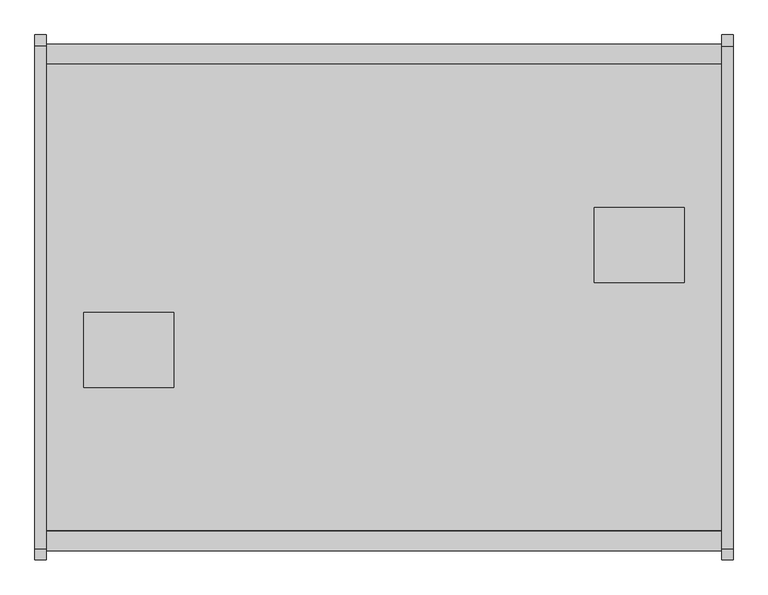
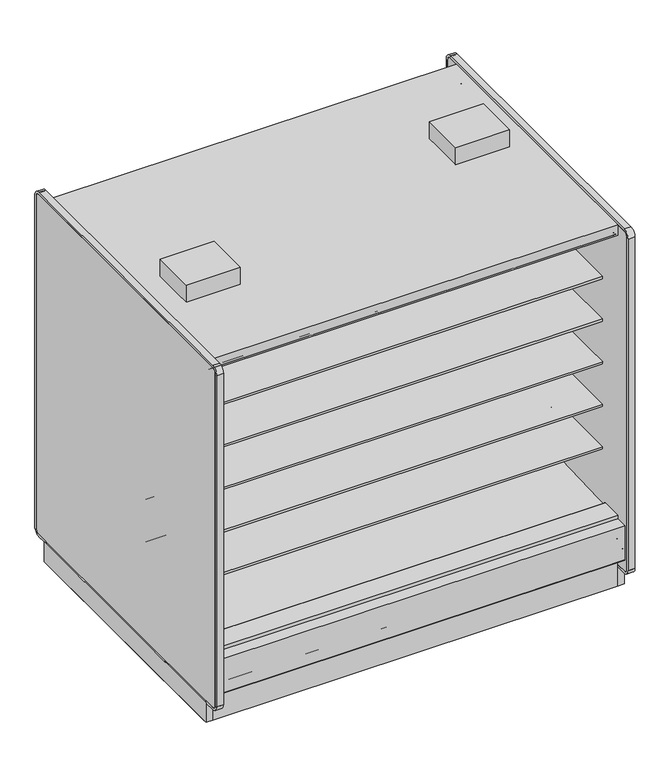
"""IFC4 building model written with IfcOpenShell, lengths in millimetres: proxy geometry."""

from ifc_helpers import new_model, si_unit, point, frame, frame_2d, origin, origin_with_axes, place, context, project, spatial, polyline, circle_curve, trimmed, segment, composite_curve, outline, extrude, faceted_brep, source, transform, mapped, element, save
from ifc_brep_helpers import plane_surface, revolved_surface, advanced_brep


def mechanical_equipment_7591c1fe(model_context):
    return source(origin(), model_context, "Body", "SolidModel", [
        extrude(outline(polyline([(0.0, -76.1999999), (0.0, 0.0), (2286.0, 0.0), (2286.0, -76.1999999), (0.0, -76.1999999)])), frame((2286.0, -1111.3633008, 2065.3671599), z_axis=(0.0, 0.08686991344751496, 0.9962196635971514), x_axis=(-1.0, 0.0, 0.0)), (0.0, 0.0, 1.0), 13.3555803),
        extrude(outline(polyline([(0.0, -76.2), (0.0, 0.0), (2286.0, 0.0), (2286.0, -76.2), (0.0, -76.2)])), frame((2286.0, 288.8472236, 2059.4611282), z_axis=(0.0, -0.086869913447515, 0.9962196635971514), x_axis=(-1.0, 0.0, 0.0)), (0.0, 0.0, 1.0), 13.3555803),
        extrude(outline(polyline([(-38.1, -1158.0606273), (-38.1, 424.3593727), (0.0, 424.3593727), (0.0, -1158.0606273), (-38.1, -1158.0606273)])), origin_with_axes(), (0.0, 0.0, 1.0), 117.8306),
        extrude(outline(composite_curve([segment(polyline([(-292.5492106, 428.2688536), (291.885082, 406.4402197), (291.885082, 424.9364317)]), True, "CONTINUOUS"), segment(trimmed(circle_curve(frame_2d((293.942482, 424.9364317)), 2.0574), [point((291.885082, 424.9364317))], [point((293.942482, 426.9938317))], False, "CARTESIAN"), True, "CONTINUOUS"), segment(polyline([(293.942482, 426.9938317), (416.0514424, 426.9938317), (416.0514424, 284.5082843), (302.7767261, 189.4595117), (287.2311894, 190.0023738), (241.8789947, 157.1934642), (177.3766842, 159.4459345), (137.2934582, 192.9404113), (-344.0537782, 221.8688632), (-344.0537782, 428.2688536), (-292.5492106, 428.2688536)]), True, "CONTINUOUS")], self_intersect=False)), frame((0.0, 0.0, 0.0), z_axis=(1.0, 0.0, 0.0), x_axis=(0.0, 1.0, 0.0)), (0.0, 0.0, 1.0), 2286.0),
        extrude(outline(polyline([(392.5474807, -0.0519335), (392.5474807, 194.123201), (411.5974807, 210.1080489), (411.5974807, -0.0519335), (392.5474807, -0.0519335)])), frame((0.0, 0.0, 0.0), z_axis=(1.0, 0.0, 0.0), x_axis=(0.0, 1.0, 0.0)), (0.0, 0.0, 1.0), 2286.0),
        extrude(outline(polyline([(-1139.0106273, 0.0), (-1158.0606273, 0.0), (-1158.0606273, 210.1599825), (-1139.0106273, 194.1751345), (-1139.0106273, 0.0)])), frame((0.0, 0.0, 0.0), z_axis=(1.0, 0.0, 0.0), x_axis=(0.0, 1.0, 0.0)), (0.0, 0.0, 1.0), 2286.0),
        extrude(outline(polyline([(431.8, -424.0006273), (431.8, -678.0006273), (127.0, -678.0006273), (127.0, -424.0006273), (431.8, -424.0006273)])), frame((0.0, 0.0, 2159.2248848), z_axis=(0.0, 0.0, 1.0), x_axis=(1.0, 0.0, 0.0)), (0.0, 0.0, 1.0), 101.6),
        extrude(outline(polyline([(1854.2, -322.4006273), (1854.2, -68.4006273), (2159.0, -68.4006273), (2159.0, -322.4006273), (1854.2, -322.4006273)])), frame((0.0, 0.0, 2159.2248848), z_axis=(0.0, 0.0, 1.0), x_axis=(1.0, 0.0, 0.0)), (0.0, 0.0, 1.0), 101.6),
        extrude(outline(polyline([(2324.1, 424.3593727), (2324.1, -1158.0606273), (2286.0, -1158.0606273), (2286.0, 424.3593727), (2324.1, 424.3593727)])), origin_with_axes(), (0.0, 0.0, 1.0), 117.8306),
        extrude(outline(composite_curve([segment(polyline([(-292.5492106, 1659.986997), (-292.5492106, 1760.7972725), (266.2507894, 1760.7972725), (266.2507894, 1747.3035225), (145.7947875, 1747.3035225), (145.7947875, 1743.0191961), (-193.6128858, 1710.408706)]), True, "CONTINUOUS"), segment(trimmed(circle_curve(frame_2d((-186.7598764, 1647.2795822)), 63.5), [point((-193.6128858, 1710.408706))], [point((-226.8243495, 1696.545067))], True, "CARTESIAN"), True, "CONTINUOUS"), segment(polyline([(-226.8243495, 1696.545067), (-265.0460501, 1665.4617985)]), True, "CONTINUOUS"), segment(trimmed(circle_curve(frame_2d((-280.9533727, 1684.8267077)), 25.0607786), [point((-265.0460501, 1665.4617985))], [point((-281.4413184, 1659.7706798))], False, "CARTESIAN"), True, "CONTINUOUS"), segment(polyline([(-281.4413184, 1659.7706798), (-292.5492106, 1659.986997)]), True, "CONTINUOUS")], self_intersect=False)), frame((0.0, 0.0, 0.0), z_axis=(1.0, 0.0, 0.0), x_axis=(0.0, 1.0, 0.0)), (0.0, 0.0, 1.0), 2286.0),
        extrude(outline(composite_curve([segment(polyline([(-292.5492106, 643.986997), (-292.5492106, 744.7972725), (266.2507894, 744.7972725), (266.2507894, 731.3035225), (145.7947875, 731.3035225), (145.7947875, 727.0191961), (-193.6128858, 694.408706)]), True, "CONTINUOUS"), segment(trimmed(circle_curve(frame_2d((-186.7598764, 631.2795822)), 63.5), [point((-193.6128858, 694.408706))], [point((-226.8243495, 680.545067))], True, "CARTESIAN"), True, "CONTINUOUS"), segment(polyline([(-226.8243495, 680.545067), (-265.0460501, 649.4617985)]), True, "CONTINUOUS"), segment(trimmed(circle_curve(frame_2d((-280.9533727, 668.8267077)), 25.0607786), [point((-265.0460501, 649.4617985))], [point((-281.4413184, 643.7706798))], False, "CARTESIAN"), True, "CONTINUOUS"), segment(polyline([(-281.4413184, 643.7706798), (-292.5492106, 643.986997)]), True, "CONTINUOUS")], self_intersect=False)), frame((0.0, 0.0, 0.0), z_axis=(1.0, 0.0, 0.0), x_axis=(0.0, 1.0, 0.0)), (0.0, 0.0, 1.0), 2286.0),
        extrude(outline(composite_curve([segment(polyline([(-292.5492106, 897.986997), (-292.5492106, 998.7972725), (266.2507894, 998.7972725), (266.2507894, 985.3035225), (145.7947875, 985.3035225), (145.7947875, 981.0191961), (-193.6128858, 948.408706)]), True, "CONTINUOUS"), segment(trimmed(circle_curve(frame_2d((-186.7598764, 885.2795822)), 63.5), [point((-193.6128858, 948.408706))], [point((-226.8243495, 934.545067))], True, "CARTESIAN"), True, "CONTINUOUS"), segment(polyline([(-226.8243495, 934.545067), (-265.0460501, 903.4617985)]), True, "CONTINUOUS"), segment(trimmed(circle_curve(frame_2d((-280.9533727, 922.8267077)), 25.0607786), [point((-265.0460501, 903.4617985))], [point((-281.4413184, 897.7706798))], False, "CARTESIAN"), True, "CONTINUOUS"), segment(polyline([(-281.4413184, 897.7706798), (-292.5492106, 897.986997)]), True, "CONTINUOUS")], self_intersect=False)), frame((0.0, 0.0, 0.0), z_axis=(1.0, 0.0, 0.0), x_axis=(0.0, 1.0, 0.0)), (0.0, 0.0, 1.0), 2286.0),
        extrude(outline(composite_curve([segment(polyline([(-292.5492106, 1151.986997), (-292.5492106, 1252.7972725), (266.2507894, 1252.7972725), (266.2507894, 1239.3035225), (145.7947875, 1239.3035225), (145.7947875, 1235.0191961), (-193.6128858, 1202.408706)]), True, "CONTINUOUS"), segment(trimmed(circle_curve(frame_2d((-186.7598764, 1139.2795822)), 63.5), [point((-193.6128858, 1202.408706))], [point((-226.8243495, 1188.545067))], True, "CARTESIAN"), True, "CONTINUOUS"), segment(polyline([(-226.8243495, 1188.545067), (-265.0460501, 1157.4617985)]), True, "CONTINUOUS"), segment(trimmed(circle_curve(frame_2d((-280.9533727, 1176.8267077)), 25.0607786), [point((-265.0460501, 1157.4617985))], [point((-281.4413184, 1151.7706798))], False, "CARTESIAN"), True, "CONTINUOUS"), segment(polyline([(-281.4413184, 1151.7706798), (-292.5492106, 1151.986997)]), True, "CONTINUOUS")], self_intersect=False)), frame((0.0, 0.0, 0.0), z_axis=(1.0, 0.0, 0.0), x_axis=(0.0, 1.0, 0.0)), (0.0, 0.0, 1.0), 2286.0),
        extrude(outline(composite_curve([segment(polyline([(-292.5492106, 1405.986997), (-292.5492106, 1506.7972725), (266.2507894, 1506.7972725), (266.2507894, 1493.3035225), (145.7947875, 1493.3035225), (145.7947875, 1489.0191961), (-193.6128858, 1456.408706)]), True, "CONTINUOUS"), segment(trimmed(circle_curve(frame_2d((-186.7598764, 1393.2795822)), 63.5), [point((-193.6128858, 1456.408706))], [point((-226.8243495, 1442.545067))], True, "CARTESIAN"), True, "CONTINUOUS"), segment(polyline([(-226.8243495, 1442.545067), (-265.0460501, 1411.4617985)]), True, "CONTINUOUS"), segment(trimmed(circle_curve(frame_2d((-280.9533727, 1430.8267077)), 25.0607786), [point((-265.0460501, 1411.4617985))], [point((-281.4413184, 1405.7706798))], False, "CARTESIAN"), True, "CONTINUOUS"), segment(polyline([(-281.4413184, 1405.7706798), (-292.5492106, 1405.986997)]), True, "CONTINUOUS")], self_intersect=False)), frame((0.0, 0.0, 0.0), z_axis=(1.0, 0.0, 0.0), x_axis=(0.0, 1.0, 0.0)), (0.0, 0.0, 1.0), 2286.0),
        extrude(outline(composite_curve([segment(polyline([(-94.7483469, 2070.6501297), (-292.5492106, 2070.6501297), (-292.5492106, 428.2688536), (-344.0537782, 428.2688536), (-344.0537782, 2096.4201079), (398.3751091, 2096.4201079), (398.3751091, 2092.4645258)]), True, "CONTINUOUS"), segment(trimmed(circle_curve(frame_2d((395.8351091, 2092.4645258)), 2.54), [point((398.3751091, 2092.4645258))], [point((395.8351091, 2089.9245258))], False, "CARTESIAN"), True, "CONTINUOUS"), segment(polyline([(395.8351091, 2089.9245258), (381.1085354, 2089.9245258)]), True, "CONTINUOUS"), segment(trimmed(circle_curve(frame_2d((381.1085354, 2087.3845258)), 2.54), [point((381.1085354, 2089.9245258))], [point((378.5685354, 2087.3845258))], True, "CARTESIAN"), True, "CONTINUOUS"), segment(polyline([(378.5685354, 2087.3845258), (378.5685354, 2074.4415989)]), True, "CONTINUOUS"), segment(trimmed(circle_curve(frame_2d((376.0285354, 2074.4415989)), 2.54), [point((378.5685354, 2074.4415989))], [point((376.0285354, 2071.9015989))], False, "CARTESIAN"), True, "CONTINUOUS"), segment(polyline([(376.0285354, 2071.9015989), (367.3424655, 2071.9015989)]), True, "CONTINUOUS"), segment(trimmed(circle_curve(frame_2d((367.3424655, 2074.4415989)), 2.54), [point((367.3424655, 2071.9015989))], [point((364.8024655, 2074.4415989))], False, "CARTESIAN"), True, "CONTINUOUS"), segment(polyline([(364.8024655, 2074.4415989), (364.8024655, 2080.1715419), (286.911575, 2073.3794907), (286.9575805, 2070.6501297), (-94.7483469, 2070.6501297)]), True, "CONTINUOUS")], self_intersect=False)), frame((0.0, 0.0, 0.0), z_axis=(1.0, 0.0, 0.0), x_axis=(0.0, 1.0, 0.0)), (0.0, 0.0, 1.0), 2286.0),
        extrude(outline(composite_curve([segment(polyline([(-453.852044, 1659.1586039), (-464.9599362, 1658.9422868)]), True, "CONTINUOUS"), segment(trimmed(circle_curve(frame_2d((-465.4478819, 1683.9983146)), 25.0607786), [point((-464.9599362, 1658.9422868))], [point((-481.3552045, 1664.6334054))], False, "CARTESIAN"), True, "CONTINUOUS"), segment(polyline([(-481.3552045, 1664.6334054), (-519.5769051, 1695.716674)]), True, "CONTINUOUS"), segment(trimmed(circle_curve(frame_2d((-559.6413782, 1646.4511892)), 63.5), [point((-519.5769051, 1695.716674))], [point((-552.7883688, 1709.5803129))], True, "CARTESIAN"), True, "CONTINUOUS"), segment(polyline([(-552.7883688, 1709.5803129), (-892.1960421, 1742.190803), (-892.1960421, 1746.4751294), (-1012.652044, 1746.4751294), (-1012.652044, 1759.9688794), (-453.852044, 1759.9688794), (-453.852044, 1659.1586039)]), True, "CONTINUOUS")], self_intersect=False)), frame((0.0, 0.0, 0.0), z_axis=(1.0, 0.0, 0.0), x_axis=(0.0, 1.0, 0.0)), (0.0, 0.0, 1.0), 2286.0),
        extrude(outline(composite_curve([segment(polyline([(-453.852044, 643.1586039), (-464.9599362, 642.9422868)]), True, "CONTINUOUS"), segment(trimmed(circle_curve(frame_2d((-465.4478819, 667.9983146)), 25.0607786), [point((-464.9599362, 642.9422868))], [point((-481.3552045, 648.6334054))], False, "CARTESIAN"), True, "CONTINUOUS"), segment(polyline([(-481.3552045, 648.6334054), (-519.5769051, 679.716674)]), True, "CONTINUOUS"), segment(trimmed(circle_curve(frame_2d((-559.6413782, 630.4511892)), 63.5), [point((-519.5769051, 679.716674))], [point((-552.7883688, 693.5803129))], True, "CARTESIAN"), True, "CONTINUOUS"), segment(polyline([(-552.7883688, 693.5803129), (-892.1960421, 726.190803), (-892.1960421, 730.4751294), (-1012.652044, 730.4751294), (-1012.652044, 743.9688794), (-453.852044, 743.9688794), (-453.852044, 643.1586039)]), True, "CONTINUOUS")], self_intersect=False)), frame((0.0, 0.0, 0.0), z_axis=(1.0, 0.0, 0.0), x_axis=(0.0, 1.0, 0.0)), (0.0, 0.0, 1.0), 2286.0),
        extrude(outline(composite_curve([segment(polyline([(-453.852044, 897.1586039), (-464.9599362, 896.9422868)]), True, "CONTINUOUS"), segment(trimmed(circle_curve(frame_2d((-465.4478819, 921.9983146)), 25.0607786), [point((-464.9599362, 896.9422868))], [point((-481.3552045, 902.6334054))], False, "CARTESIAN"), True, "CONTINUOUS"), segment(polyline([(-481.3552045, 902.6334054), (-519.5769051, 933.716674)]), True, "CONTINUOUS"), segment(trimmed(circle_curve(frame_2d((-559.6413782, 884.4511892)), 63.5), [point((-519.5769051, 933.716674))], [point((-552.7883688, 947.5803129))], True, "CARTESIAN"), True, "CONTINUOUS"), segment(polyline([(-552.7883688, 947.5803129), (-892.1960421, 980.190803), (-892.1960421, 984.4751294), (-1012.652044, 984.4751294), (-1012.652044, 997.9688794), (-453.852044, 997.9688794), (-453.852044, 897.1586039)]), True, "CONTINUOUS")], self_intersect=False)), frame((0.0, 0.0, 0.0), z_axis=(1.0, 0.0, 0.0), x_axis=(0.0, 1.0, 0.0)), (0.0, 0.0, 1.0), 2286.0),
        extrude(outline(composite_curve([segment(polyline([(-453.852044, 1151.1586039), (-464.9599362, 1150.9422868)]), True, "CONTINUOUS"), segment(trimmed(circle_curve(frame_2d((-465.4478819, 1175.9983146)), 25.0607786), [point((-464.9599362, 1150.9422868))], [point((-481.3552045, 1156.6334054))], False, "CARTESIAN"), True, "CONTINUOUS"), segment(polyline([(-481.3552045, 1156.6334054), (-519.5769051, 1187.716674)]), True, "CONTINUOUS"), segment(trimmed(circle_curve(frame_2d((-559.6413782, 1138.4511892)), 63.5), [point((-519.5769051, 1187.716674))], [point((-552.7883688, 1201.5803129))], True, "CARTESIAN"), True, "CONTINUOUS"), segment(polyline([(-552.7883688, 1201.5803129), (-892.1960421, 1234.190803), (-892.1960421, 1238.4751294), (-1012.652044, 1238.4751294), (-1012.652044, 1251.9688794), (-453.852044, 1251.9688794), (-453.852044, 1151.1586039)]), True, "CONTINUOUS")], self_intersect=False)), frame((0.0, 0.0, 0.0), z_axis=(1.0, 0.0, 0.0), x_axis=(0.0, 1.0, 0.0)), (0.0, 0.0, 1.0), 2286.0),
        extrude(outline(composite_curve([segment(polyline([(-453.852044, 1405.1586039), (-464.9599362, 1404.9422868)]), True, "CONTINUOUS"), segment(trimmed(circle_curve(frame_2d((-465.4478819, 1429.9983146)), 25.0607786), [point((-464.9599362, 1404.9422868))], [point((-481.3552045, 1410.6334054))], False, "CARTESIAN"), True, "CONTINUOUS"), segment(polyline([(-481.3552045, 1410.6334054), (-519.5769051, 1441.716674)]), True, "CONTINUOUS"), segment(trimmed(circle_curve(frame_2d((-559.6413782, 1392.4511892)), 63.5), [point((-519.5769051, 1441.716674))], [point((-552.7883688, 1455.5803129))], True, "CARTESIAN"), True, "CONTINUOUS"), segment(polyline([(-552.7883688, 1455.5803129), (-892.1960421, 1488.190803), (-892.1960421, 1492.4751294), (-1012.652044, 1492.4751294), (-1012.652044, 1505.9688794), (-453.852044, 1505.9688794), (-453.852044, 1405.1586039)]), True, "CONTINUOUS")], self_intersect=False)), frame((0.0, 0.0, 0.0), z_axis=(1.0, 0.0, 0.0), x_axis=(0.0, 1.0, 0.0)), (0.0, 0.0, 1.0), 2286.0),
        extrude(outline(composite_curve([segment(trimmed(circle_curve(frame_2d((-1224.1006273, 201.3982889)), 6.35), [point((-1220.9264382, 195.8985595))], [point((-1230.4506273, 201.3982889))], False, "CARTESIAN"), True, "CONTINUOUS"), segment(polyline([(-1230.4506273, 201.3982889), (-1230.4506273, 404.6728), (-1162.452697, 404.6728), (-1162.452697, 391.9982), (-1213.6612273, 391.9982), (-1213.6612273, 256.8144254), (-1173.6099725, 223.2074323), (-1220.9264382, 195.8985595)]), True, "CONTINUOUS")], self_intersect=False)), frame((0.0, 0.0, 0.0), z_axis=(1.0, 0.0, 0.0), x_axis=(0.0, 1.0, 0.0)), (0.0, 0.0, 1.0), 2286.0),
        extrude(outline(composite_curve([segment(polyline([(474.5251836, 195.8985595), (427.2087179, 223.2074323), (467.2599727, 256.8144254), (467.2599727, 391.9982), (416.0514424, 391.9982), (416.0514424, 404.6728), (484.0493727, 404.6728), (484.0493727, 201.3982889)]), True, "CONTINUOUS"), segment(trimmed(circle_curve(frame_2d((477.6993727, 201.3982889)), 6.35), [point((484.0493727, 201.3982889))], [point((474.5251836, 195.8985595))], False, "CARTESIAN"), True, "CONTINUOUS")], self_intersect=False)), frame((0.0, 0.0, 0.0), z_axis=(1.0, 0.0, 0.0), x_axis=(0.0, 1.0, 0.0)), (0.0, 0.0, 1.0), 2286.0),
        extrude(outline(polyline([(-1063.1620247, 130.5306), (-1213.6612273, 256.8144254), (-1213.6612273, 391.9982), (-1162.452697, 391.9982), (-1162.452697, 284.5082843), (-1049.1779807, 189.4595117), (-1033.632444, 190.0023738), (-988.2802493, 157.1934642), (-923.7779388, 159.4459345), (-883.6947128, 192.9404113), (-402.3474764, 221.8688632), (-402.3474764, 2096.4201079), (-1162.452697, 2096.4201079), (-1162.452697, 2159.0), (416.0514424, 2159.0), (416.0514424, 2096.4201079), (-344.0537782, 2096.4201079), (-344.0537782, 221.8688632), (137.2934582, 192.9404113), (177.3766842, 159.4459345), (241.8789947, 157.1934642), (287.2311894, 190.0023738), (302.7767261, 189.4595117), (416.0514424, 284.5082843), (416.0514424, 391.9982), (467.2599727, 391.9982), (467.2599727, 256.8144254), (316.7607701, 130.5306), (-1063.1620247, 130.5306)])), frame((0.0, 0.0, 0.0), z_axis=(1.0, 0.0, 0.0), x_axis=(0.0, 1.0, 0.0)), (0.0, 0.0, 1.0), 2286.0),
        extrude(outline(composite_curve([segment(polyline([(-639.2465773, 2071.0201079), (-1033.3525988, 2071.0201079), (-1033.3128296, 2073.3794907), (-1111.2037201, 2080.1715419), (-1111.2037201, 2074.4415989)]), True, "CONTINUOUS"), segment(trimmed(circle_curve(frame_2d((-1113.7437201, 2074.4415989)), 2.54), [point((-1111.2037201, 2074.4415989))], [point((-1113.7437201, 2071.9015989))], False, "CARTESIAN"), True, "CONTINUOUS"), segment(polyline([(-1113.7437201, 2071.9015989), (-1122.42979, 2071.9015989)]), True, "CONTINUOUS"), segment(trimmed(circle_curve(frame_2d((-1122.42979, 2074.4415989)), 2.54), [point((-1122.42979, 2071.9015989))], [point((-1124.96979, 2074.4415989))], False, "CARTESIAN"), True, "CONTINUOUS"), segment(polyline([(-1124.96979, 2074.4415989), (-1124.96979, 2087.3845258)]), True, "CONTINUOUS"), segment(trimmed(circle_curve(frame_2d((-1127.50979, 2087.3845258)), 2.54), [point((-1124.96979, 2087.3845258))], [point((-1127.50979, 2089.9245258))], True, "CARTESIAN"), True, "CONTINUOUS"), segment(polyline([(-1127.50979, 2089.9245258), (-1142.2363637, 2089.9245258)]), True, "CONTINUOUS"), segment(trimmed(circle_curve(frame_2d((-1142.2363637, 2092.4645258)), 2.54), [point((-1142.2363637, 2089.9245258))], [point((-1144.7763637, 2092.4645258))], False, "CARTESIAN"), True, "CONTINUOUS"), segment(polyline([(-1144.7763637, 2092.4645258), (-1144.7763637, 2096.4201079), (-402.3474764, 2096.4201079), (-402.3474764, 428.2688536), (-453.852044, 428.2688536), (-453.852044, 2071.0201079), (-639.2465773, 2071.0201079)]), True, "CONTINUOUS")], self_intersect=False)), frame((0.0, 0.0, 0.0), z_axis=(1.0, 0.0, 0.0), x_axis=(0.0, 1.0, 0.0)), (0.0, 0.0, 1.0), 2286.0),
        extrude(outline(polyline([(0.0, 424.3593727), (0.0, -1139.0106273), (-38.1, -1139.0106273), (-38.1, 424.3593727), (0.0, 424.3593727)])), origin_with_axes(), (0.0, 0.0, 1.0), 117.8306),
        advanced_brep(
        [(2286.0, -995.5006273, 0.0), (2286.0, -918.6839153, 0.0), (2286.0, -918.6839153, 74.8810382), (2286.0, 173.3438727, 74.8810382), (2286.0, 173.3438727, 0.0), (2286.0, 220.8672286, 0.0), (2286.0, 220.8672286, 130.5306), (2286.0, -995.5006273, 130.5306), (0.0, -995.5006273, 0.0), (0.0, -995.5006273, 130.5306), (0.0, 220.8672286, 130.5306), (0.0, 220.8672286, 0.0), (0.0, 173.3438727, 0.0), (0.0, 173.3438727, 74.8810382), (0.0, -918.6839153, 74.8810382), (0.0, -918.6839153, 0.0), (1095.3826367, -918.6839153, 0.0), (1092.2, -936.3821273, 0.0), (1193.8, -936.3821273, 0.0), (1190.6173633, -918.6839153, 0.0), (2019.0239057, -918.6839153, 0.0), (2014.5375, -939.5571273, 0.0), (2116.1375, -939.5571273, 0.0), (2111.6510943, -918.6839153, 0.0), (2111.6510943, -918.6839153, 74.8810382), (1095.3826367, -918.6839153, 74.8810382), (1190.6173633, -918.6839153, 74.8810382), (2019.0239057, -918.6839153, 74.8810382), (173.8851053, 173.3438727, 74.8810382), (267.4398947, 173.3438727, 74.8810382), (1095.0015601, 173.3438727, 74.8810382), (1190.9984399, 173.3438727, 74.8810382), (1092.2, -936.3821273, 127.0), (1193.8, -936.3821273, 127.0), (2014.5375, -939.5571273, 127.0), (2116.1375, -939.5571273, 127.0), (1190.9984399, 173.3438727, 0.0), (173.8851053, 173.3438727, 0.0), (267.4398947, 173.3438727, 0.0), (1095.0015601, 173.3438727, 0.0), (1193.8, 189.9808727, 0.0), (1183.3320346, 220.8672286, 0.0), (178.0864416, 220.8672286, 0.0), (169.8625, 193.1558727, 0.0), (271.4625, 193.1558727, 0.0), (263.2385584, 220.8672286, 0.0), (1102.6679654, 220.8672286, 0.0), (1092.2, 189.9808727, 0.0), (1183.3320346, 220.8672286, 127.0), (1102.6679654, 220.8672286, 127.0), (263.2385584, 220.8672286, 127.0), (178.0864416, 220.8672286, 127.0), (271.4625, 193.1558727, 127.0), (169.8625, 193.1558727, 127.0), (1193.8, 189.9808727, 127.0), (1092.2, 189.9808727, 127.0)],
        [
            (0, 1),
            (1, 2),
            (2, 3),
            (3, 4),
            (4, 5),
            (5, 6),
            (6, 7),
            (7, 0),
            (8, 9),
            (9, 10),
            (10, 11),
            (11, 12),
            (12, 13),
            (13, 14),
            (14, 15),
            (15, 8),
            (6, 10),
            (9, 7),
            (8, 0),
            (15, 16),
            (16, 17, circle_curve(frame((1143.0, -936.3821273, 0.0), z_axis=(0.0, 0.0, 1.0), x_axis=(1.0, 0.0, 0.0)), 50.8)),
            (17, 18, circle_curve(frame((1143.0, -936.3821273, 0.0), z_axis=(0.0, 0.0, 1.0), x_axis=(1.0, 0.0, 0.0)), 50.8)),
            (18, 19, circle_curve(frame((1143.0, -936.3821273, 0.0), z_axis=(0.0, 0.0, 1.0), x_axis=(1.0, 0.0, 0.0)), 50.8)),
            (19, 20),
            (20, 21, circle_curve(frame((2065.3375, -939.5571273, 0.0), z_axis=(0.0, 0.0, 1.0), x_axis=(1.0, 0.0, 0.0)), 50.8)),
            (21, 22, circle_curve(frame((2065.3375, -939.5571273, 0.0), z_axis=(0.0, 0.0, 1.0), x_axis=(1.0, 0.0, 0.0)), 50.8)),
            (22, 23, circle_curve(frame((2065.3375, -939.5571273, 0.0), z_axis=(0.0, 0.0, 1.0), x_axis=(1.0, 0.0, 0.0)), 50.8)),
            (23, 1),
            (23, 24),
            (24, 2),
            (14, 25),
            (25, 16),
            (19, 26),
            (26, 27),
            (27, 20),
            (24, 27, circle_curve(frame((2065.3375, -939.5571273, 74.8810382), z_axis=(0.0, 0.0, 1.0), x_axis=(1.0, 0.0, 0.0)), 50.8)),
            (26, 25, circle_curve(frame((1143.0, -936.3821273, 74.8810382), z_axis=(0.0, 0.0, 1.0), x_axis=(1.0, 0.0, 0.0)), 50.8)),
            (13, 28),
            (28, 29, circle_curve(frame((220.6625, 193.1558727, 74.8810382), z_axis=(0.0, 0.0, 1.0), x_axis=(-1.0, 0.0, 0.0)), 50.8)),
            (29, 30),
            (30, 31, circle_curve(frame((1143.0, 189.9808727, 74.8810382), z_axis=(0.0, 0.0, 1.0), x_axis=(1.0, 0.0, 0.0)), 50.8)),
            (31, 3),
            (32, 33, circle_curve(frame((1143.0, -936.3821273, 127.0), z_axis=(0.0, 0.0, -1.0), x_axis=(1.0, 0.0, 0.0)), 50.8)),
            (33, 32, circle_curve(frame((1143.0, -936.3821273, 127.0), z_axis=(0.0, 0.0, -1.0), x_axis=(1.0, 0.0, 0.0)), 50.8)),
            (33, 18),
            (17, 32),
            (34, 35, circle_curve(frame((2065.3375, -939.5571273, 127.0), z_axis=(0.0, 0.0, -1.0), x_axis=(1.0, 0.0, 0.0)), 50.8)),
            (35, 34, circle_curve(frame((2065.3375, -939.5571273, 127.0), z_axis=(0.0, 0.0, -1.0), x_axis=(1.0, 0.0, 0.0)), 50.8)),
            (35, 22),
            (21, 34),
            (31, 36),
            (36, 4),
            (12, 37),
            (37, 28),
            (29, 38),
            (38, 39),
            (39, 30),
            (36, 40, circle_curve(frame((1143.0, 189.9808727, 0.0), z_axis=(0.0, 0.0, 1.0), x_axis=(1.0, 0.0, 0.0)), 50.8)),
            (40, 41, circle_curve(frame((1143.0, 189.9808727, 0.0), z_axis=(0.0, 0.0, 1.0), x_axis=(1.0, 0.0, 0.0)), 50.8)),
            (41, 5),
            (11, 42),
            (42, 43, circle_curve(frame((220.6625, 193.1558727, 0.0), z_axis=(0.0, 0.0, 1.0), x_axis=(-1.0, 0.0, 0.0)), 50.8)),
            (43, 37, circle_curve(frame((220.6625, 193.1558727, 0.0), z_axis=(0.0, 0.0, 1.0), x_axis=(-1.0, 0.0, 0.0)), 50.8)),
            (44, 45, circle_curve(frame((220.6625, 193.1558727, 0.0), z_axis=(0.0, 0.0, 1.0), x_axis=(-1.0, 0.0, 0.0)), 50.8)),
            (45, 46),
            (46, 47, circle_curve(frame((1143.0, 189.9808727, 0.0), z_axis=(0.0, 0.0, 1.0), x_axis=(1.0, 0.0, 0.0)), 50.8)),
            (47, 39, circle_curve(frame((1143.0, 189.9808727, 0.0), z_axis=(0.0, 0.0, 1.0), x_axis=(1.0, 0.0, 0.0)), 50.8)),
            (38, 44, circle_curve(frame((220.6625, 193.1558727, 0.0), z_axis=(0.0, 0.0, 1.0), x_axis=(-1.0, 0.0, 0.0)), 50.8)),
            (41, 48),
            (48, 49),
            (49, 46),
            (45, 50),
            (50, 51),
            (51, 42),
            (52, 53, circle_curve(frame((220.6625, 193.1558727, 127.0), z_axis=(0.0, 0.0, -1.0), x_axis=(-1.0, 0.0, 0.0)), 50.8)),
            (53, 51, circle_curve(frame((220.6625, 193.1558727, 127.0), z_axis=(0.0, 0.0, -1.0), x_axis=(-1.0, 0.0, 0.0)), 50.8)),
            (50, 52, circle_curve(frame((220.6625, 193.1558727, 127.0), z_axis=(0.0, 0.0, -1.0), x_axis=(-1.0, 0.0, 0.0)), 50.8)),
            (44, 52),
            (53, 43),
            (54, 55, circle_curve(frame((1143.0, 189.9808727, 127.0), z_axis=(0.0, 0.0, -1.0), x_axis=(1.0, 0.0, 0.0)), 50.8)),
            (55, 49, circle_curve(frame((1143.0, 189.9808727, 127.0), z_axis=(0.0, 0.0, -1.0), x_axis=(1.0, 0.0, 0.0)), 50.8)),
            (48, 54, circle_curve(frame((1143.0, 189.9808727, 127.0), z_axis=(0.0, 0.0, -1.0), x_axis=(1.0, 0.0, 0.0)), 50.8)),
            (40, 54),
            (55, 47),
        ],
        [
            plane_surface(frame((2286.0, -921.3326273, 0.0), z_axis=(1.0, 0.0, 0.0), x_axis=(0.0, 1.0, 0.0))),
            plane_surface(frame((0.0, -921.3326273, 0.0), z_axis=(-1.0, 0.0, 0.0), x_axis=(0.0, -1.0, 0.0))),
            plane_surface(frame((2286.0, 220.8672286, 130.5306), z_axis=(0.0, 0.0, 1.0), x_axis=(-1.0, 0.0, 0.0))),
            plane_surface(frame((2286.0, -995.5006273, 130.5306), z_axis=(0.0, -1.0, 0.0), x_axis=(-1.0, 0.0, 0.0))),
            plane_surface(frame((2286.0, -995.5006273, 0.0), z_axis=(0.0, 0.0, -1.0), x_axis=(-1.0, 0.0, 0.0))),
            plane_surface(frame((2286.0, -918.6839153, 0.0), z_axis=(0.0, 1.0, 0.0), x_axis=(-1.0, 0.0, 0.0))),
            plane_surface(frame((2286.0, -918.6839153, 74.8810382), z_axis=(0.0, 0.0, -1.0), x_axis=(-1.0, 0.0, 0.0))),
            plane_surface(frame((1193.8, -936.3821273, 127.0), z_axis=(0.0, 0.0, -1.0), x_axis=(0.0, 1.0, 0.0))),
            revolved_surface(polyline([(1193.8, -936.3821273, 127.0), (1193.8, -936.3821273, 0.0)]), (1143.0, -936.3821273, 0.0), (0.0, 0.0, 1.0)),
            plane_surface(frame((2116.1375, -939.5571273, 127.0), z_axis=(0.0, 0.0, -1.0), x_axis=(0.0, 1.0, 0.0))),
            revolved_surface(polyline([(2116.1375000000003, -939.5571273, 127.0), (2116.1375000000003, -939.5571273, 0.0)]), (2065.3375, -939.5571273, 0.0), (0.0, 0.0, 1.0)),
            plane_surface(frame((2286.0, 173.3438727, 74.8810382), z_axis=(0.0, -1.0, 0.0), x_axis=(-1.0, 0.0, 0.0))),
            plane_surface(frame((2286.0, 173.3438727, 0.0), z_axis=(0.0, 0.0, -1.0), x_axis=(-1.0, 0.0, 0.0))),
            plane_surface(frame((2286.0, 220.8672286, 0.0), z_axis=(0.0, 1.0, 0.0), x_axis=(-1.0, 0.0, 0.0))),
            plane_surface(frame((169.8625, 193.1558727, 127.0), z_axis=(0.0, 0.0, -1.0), x_axis=(0.0, -1.0, 0.0))),
            revolved_surface(polyline([(169.8625, 193.1558727, 127.0), (169.8625, 193.1558727, 0.0)]), (220.6625, 193.1558727, 0.0), (0.0, 0.0, 1.0)),
            plane_surface(frame((1193.8, 189.9808727, 127.0), z_axis=(0.0, 0.0, -1.0), x_axis=(0.0, 1.0, 0.0))),
            revolved_surface(polyline([(1193.8, 189.9808727, 127.0), (1193.8, 189.9808727, 0.0)]), (1143.0, 189.9808727, 0.0), (0.0, 0.0, 1.0)),
        ],
        [
            (0, [[1, 2, 3, 4, 5, 6, 7, 8]]),
            (1, [[9, 10, 11, 12, 13, 14, 15, 16]]),
            (2, [[-7, 17, -10, 18]]),
            (3, [[-8, -18, -9, 19]]),
            (4, [[-1, -19, -16, 20, 21, 22, 23, 24, 25, 26, 27, 28]]),
            (5, [[-2, -28, 29, 30]]),
            (5, [[-15, 31, 32, -20]]),
            (5, [[33, 34, 35, -24]]),
            (6, [[-3, -30, 36, -34, 37, -31, -14, 38, 39, 40, 41, 42]]),
            (7, [[43, 44]]),
            (8, [[-44, 45, -22, 46]]),
            (8, [[-43, -46, -21, -32, -37, -33, -23, -45]]),
            (9, [[47, 48]]),
            (10, [[-48, 49, -26, 50]]),
            (10, [[-47, -50, -25, -35, -36, -29, -27, -49]]),
            (11, [[-4, -42, 51, 52]]),
            (11, [[-13, 53, 54, -38]]),
            (11, [[55, 56, 57, -40]]),
            (12, [[-5, -52, 58, 59, 60]]),
            (12, [[-12, 61, 62, 63, -53]]),
            (12, [[64, 65, 66, 67, -56, 68]]),
            (13, [[-6, -60, 69, 70, 71, -65, 72, 73, 74, -61, -11, -17]]),
            (14, [[75, 76, -73, 77]]),
            (15, [[78, -77, -72, -64]]),
            (15, [[79, -62, -74, -76]]),
            (15, [[-75, -78, -68, -55, -39, -54, -63, -79]]),
            (16, [[80, 81, -70, 82]]),
            (17, [[83, -82, -69, -59]]),
            (17, [[84, -66, -71, -81]]),
            (17, [[-80, -83, -58, -51, -41, -57, -67, -84]]),
        ],
    ),
        extrude(outline(composite_curve([segment(polyline([(-453.852044, 428.2688536), (-402.3474764, 428.2688536), (-402.3474764, 221.8688632), (-883.6947128, 192.9404113), (-923.7779388, 159.4459345), (-988.2802493, 157.1934642), (-1033.632444, 190.0023738), (-1049.1779807, 189.4595117), (-1162.452697, 284.5082843), (-1162.452697, 426.9938317), (-1040.3437366, 426.9938317)]), True, "CONTINUOUS"), segment(trimmed(circle_curve(frame_2d((-1040.3437366, 424.9364317)), 2.0574), [point((-1040.3437366, 426.9938317))], [point((-1038.2863366, 424.9364317))], False, "CARTESIAN"), True, "CONTINUOUS"), segment(polyline([(-1038.2863366, 424.9364317), (-1038.2863366, 406.4402197), (-453.852044, 428.2688536)]), True, "CONTINUOUS")], self_intersect=False)), frame((0.0, 0.0, 0.0), z_axis=(1.0, 0.0, 0.0), x_axis=(0.0, 1.0, 0.0)), (0.0, 0.0, 1.0), 2286.0),
        extrude(outline(composite_curve([segment(polyline([(-1170.7606273, 117.8306), (-1224.093772, 117.8306)]), True, "CONTINUOUS"), segment(trimmed(circle_curve(frame_2d((-1224.093772, 155.9306)), 38.1), [point((-1224.093772, 117.8306))], [point((-1262.193772, 155.9306))], False, "CARTESIAN"), True, "CONTINUOUS"), segment(polyline([(-1262.193772, 155.9306), (-1262.193772, 2133.6)]), True, "CONTINUOUS"), segment(trimmed(circle_curve(frame_2d((-1224.093772, 2133.6)), 38.1), [point((-1262.193772, 2133.6))], [point((-1224.093772, 2171.7))], False, "CARTESIAN"), True, "CONTINUOUS"), segment(polyline([(-1224.093772, 2171.7), (477.6925174, 2171.7)]), True, "CONTINUOUS"), segment(trimmed(circle_curve(frame_2d((477.6925174, 2133.6)), 38.1), [point((477.6925174, 2171.7))], [point((515.7925174, 2133.6))], False, "CARTESIAN"), True, "CONTINUOUS"), segment(polyline([(515.7925174, 2133.6), (515.7925174, 155.9306)]), True, "CONTINUOUS"), segment(trimmed(circle_curve(frame_2d((477.6925174, 155.9306)), 38.1), [point((515.7925174, 155.9306))], [point((477.6925174, 117.8306))], False, "CARTESIAN"), True, "CONTINUOUS"), segment(polyline([(477.6925174, 117.8306), (424.3593727, 117.8306), (411.5974807, 117.8306), (411.5974807, 130.5306), (424.3593727, 130.5306), (477.6925174, 130.5306)]), True, "CONTINUOUS"), segment(trimmed(circle_curve(frame_2d((477.6925174, 155.9306)), 25.4), [point((477.6925174, 130.5306))], [point((503.0925174, 155.9306))], True, "CARTESIAN"), True, "CONTINUOUS"), segment(polyline([(503.0925174, 155.9306), (503.0925174, 2133.6)]), True, "CONTINUOUS"), segment(trimmed(circle_curve(frame_2d((477.6925174, 2133.6)), 25.4), [point((503.0925174, 2133.6))], [point((477.6925174, 2159.0))], True, "CARTESIAN"), True, "CONTINUOUS"), segment(polyline([(477.6925174, 2159.0), (-1224.093772, 2159.0)]), True, "CONTINUOUS"), segment(trimmed(circle_curve(frame_2d((-1224.093772, 2133.6)), 25.4), [point((-1224.093772, 2159.0))], [point((-1249.493772, 2133.6))], True, "CARTESIAN"), True, "CONTINUOUS"), segment(polyline([(-1249.493772, 2133.6), (-1249.493772, 155.9306)]), True, "CONTINUOUS"), segment(trimmed(circle_curve(frame_2d((-1224.093772, 155.9306)), 25.4), [point((-1249.493772, 155.9306))], [point((-1224.093772, 130.5306))], True, "CARTESIAN"), True, "CONTINUOUS"), segment(polyline([(-1224.093772, 130.5306), (-1170.7606273, 130.5306), (-1158.0606273, 130.5306), (-1158.0606273, 117.8306), (-1170.7606273, 117.8306)]), True, "CONTINUOUS")], self_intersect=False)), frame((2286.0, 0.0, 0.0), z_axis=(1.0, 0.0, 0.0), x_axis=(0.0, 1.0, 0.0)), (0.0, 0.0, 1.0), 38.1),
        extrude(outline(composite_curve([segment(polyline([(477.6925174, 130.5306), (-1224.093772, 130.5306)]), True, "CONTINUOUS"), segment(trimmed(circle_curve(frame_2d((-1224.093772, 155.9306)), 25.4), [point((-1224.093772, 130.5306))], [point((-1249.493772, 155.9306))], False, "CARTESIAN"), True, "CONTINUOUS"), segment(polyline([(-1249.493772, 155.9306), (-1249.493772, 2133.6)]), True, "CONTINUOUS"), segment(trimmed(circle_curve(frame_2d((-1224.093772, 2133.6)), 25.4), [point((-1249.493772, 2133.6))], [point((-1224.093772, 2159.0))], False, "CARTESIAN"), True, "CONTINUOUS"), segment(polyline([(-1224.093772, 2159.0), (477.6925174, 2159.0)]), True, "CONTINUOUS"), segment(trimmed(circle_curve(frame_2d((477.6925174, 2133.6)), 25.4), [point((477.6925174, 2159.0))], [point((503.0925174, 2133.6))], False, "CARTESIAN"), True, "CONTINUOUS"), segment(polyline([(503.0925174, 2133.6), (503.0925174, 155.9306)]), True, "CONTINUOUS"), segment(trimmed(circle_curve(frame_2d((477.6925174, 155.9306)), 25.4), [point((503.0925174, 155.9306))], [point((477.6925174, 130.5306))], False, "CARTESIAN"), True, "CONTINUOUS")], self_intersect=False)), frame((2286.0, 0.0, 0.0), z_axis=(1.0, 0.0, 0.0), x_axis=(0.0, 1.0, 0.0)), (0.0, 0.0, 1.0), 38.1),
        extrude(outline(composite_curve([segment(polyline([(-1224.093772, 2171.7), (477.6925174, 2171.7)]), True, "CONTINUOUS"), segment(trimmed(circle_curve(frame_2d((477.6925174, 2133.6)), 38.1), [point((477.6925174, 2171.7))], [point((515.7925174, 2133.6))], False, "CARTESIAN"), True, "CONTINUOUS"), segment(polyline([(515.7925174, 2133.6), (515.7925174, 155.9306)]), True, "CONTINUOUS"), segment(trimmed(circle_curve(frame_2d((477.6925174, 155.9306)), 38.1), [point((515.7925174, 155.9306))], [point((477.6925174, 117.8306))], False, "CARTESIAN"), True, "CONTINUOUS"), segment(polyline([(477.6925174, 117.8306), (424.3593727, 117.8306), (411.5974807, 117.8306), (411.5974807, 130.5306), (424.3593727, 130.5306), (477.6925174, 130.5306)]), True, "CONTINUOUS"), segment(trimmed(circle_curve(frame_2d((477.6925174, 155.9306)), 25.4), [point((477.6925174, 130.5306))], [point((503.0925174, 155.9306))], True, "CARTESIAN"), True, "CONTINUOUS"), segment(polyline([(503.0925174, 155.9306), (503.0925174, 2133.6)]), True, "CONTINUOUS"), segment(trimmed(circle_curve(frame_2d((477.6925174, 2133.6)), 25.4), [point((503.0925174, 2133.6))], [point((477.6925174, 2159.0))], True, "CARTESIAN"), True, "CONTINUOUS"), segment(polyline([(477.6925174, 2159.0), (-1224.093772, 2159.0)]), True, "CONTINUOUS"), segment(trimmed(circle_curve(frame_2d((-1224.093772, 2133.6)), 25.4), [point((-1224.093772, 2159.0))], [point((-1249.493772, 2133.6))], True, "CARTESIAN"), True, "CONTINUOUS"), segment(polyline([(-1249.493772, 2133.6), (-1249.493772, 155.9306)]), True, "CONTINUOUS"), segment(trimmed(circle_curve(frame_2d((-1224.093772, 155.9306)), 25.4), [point((-1249.493772, 155.9306))], [point((-1224.093772, 130.5306))], True, "CARTESIAN"), True, "CONTINUOUS"), segment(polyline([(-1224.093772, 130.5306), (-1170.7606273, 130.5306), (-1158.0606273, 130.5306), (-1158.0606273, 117.8306), (-1170.7606273, 117.8306), (-1224.093772, 117.8306)]), True, "CONTINUOUS"), segment(trimmed(circle_curve(frame_2d((-1224.093772, 155.9306)), 38.1), [point((-1224.093772, 117.8306))], [point((-1262.193772, 155.9306))], False, "CARTESIAN"), True, "CONTINUOUS"), segment(polyline([(-1262.193772, 155.9306), (-1262.193772, 2133.6)]), True, "CONTINUOUS"), segment(trimmed(circle_curve(frame_2d((-1224.093772, 2133.6)), 38.1), [point((-1262.193772, 2133.6))], [point((-1224.093772, 2171.7))], False, "CARTESIAN"), True, "CONTINUOUS")], self_intersect=False)), frame((-38.1, 0.0, 0.0), z_axis=(1.0, 0.0, 0.0), x_axis=(0.0, 1.0, 0.0)), (0.0, 0.0, 1.0), 38.1),
        extrude(outline(composite_curve([segment(polyline([(477.6925174, 130.5306), (-1224.093772, 130.5306)]), True, "CONTINUOUS"), segment(trimmed(circle_curve(frame_2d((-1224.093772, 155.9306)), 25.4), [point((-1224.093772, 130.5306))], [point((-1249.493772, 155.9306))], False, "CARTESIAN"), True, "CONTINUOUS"), segment(polyline([(-1249.493772, 155.9306), (-1249.493772, 2133.6)]), True, "CONTINUOUS"), segment(trimmed(circle_curve(frame_2d((-1224.093772, 2133.6)), 25.4), [point((-1249.493772, 2133.6))], [point((-1224.093772, 2159.0))], False, "CARTESIAN"), True, "CONTINUOUS"), segment(polyline([(-1224.093772, 2159.0), (477.6925174, 2159.0)]), True, "CONTINUOUS"), segment(trimmed(circle_curve(frame_2d((477.6925174, 2133.6)), 25.4), [point((477.6925174, 2159.0))], [point((503.0925174, 2133.6))], False, "CARTESIAN"), True, "CONTINUOUS"), segment(polyline([(503.0925174, 2133.6), (503.0925174, 155.9306)]), True, "CONTINUOUS"), segment(trimmed(circle_curve(frame_2d((477.6925174, 155.9306)), 25.4), [point((503.0925174, 155.9306))], [point((477.6925174, 130.5306))], False, "CARTESIAN"), True, "CONTINUOUS")], self_intersect=False)), frame((-38.1, 0.0, 0.0), z_axis=(1.0, 0.0, 0.0), x_axis=(0.0, 1.0, 0.0)), (0.0, 0.0, 1.0), 38.1),
        extrude(outline(composite_curve([segment(trimmed(circle_curve(frame_2d((1143.0, 189.9808727)), 38.1), [point((1104.9, 189.9808727))], [point((1181.1, 189.9808727))], False, "CARTESIAN"), True, "CONTINUOUS"), segment(trimmed(circle_curve(frame_2d((1143.0, 189.9808727)), 38.1), [point((1181.1, 189.9808727))], [point((1104.9, 189.9808727))], False, "CARTESIAN"), True, "CONTINUOUS")], self_intersect=False)), frame((0.0, 0.0, 61.2666507), z_axis=(0.0, 0.0, 1.0), x_axis=(1.0, 0.0, 0.0)), (0.0, 0.0, 1.0), 65.7333493),
        extrude(outline(composite_curve([segment(trimmed(circle_curve(frame_2d((1143.0, -936.3821273)), 38.1), [point((1104.9, -936.3821273))], [point((1181.1, -936.3821273))], False, "CARTESIAN"), True, "CONTINUOUS"), segment(trimmed(circle_curve(frame_2d((1143.0, -936.3821273)), 38.1), [point((1181.1, -936.3821273))], [point((1104.9, -936.3821273))], False, "CARTESIAN"), True, "CONTINUOUS")], self_intersect=False)), frame((0.0, 0.0, 61.2666507), z_axis=(0.0, 0.0, 1.0), x_axis=(1.0, 0.0, 0.0)), (0.0, 0.0, 1.0), 65.7333493),
        extrude(outline(composite_curve([segment(trimmed(circle_curve(frame_2d((242.6911047, 192.5203719)), 12.7), [point((229.9911047, 192.5203719))], [point((255.3911047, 192.5203719))], False, "CARTESIAN"), True, "CONTINUOUS"), segment(trimmed(circle_curve(frame_2d((242.6911047, 192.5203719)), 12.7), [point((255.3911047, 192.5203719))], [point((229.9911047, 192.5203719))], False, "CARTESIAN"), True, "CONTINUOUS")], self_intersect=False)), frame((0.0, 0.0, 61.2666507), z_axis=(0.0, 0.0, 1.0), x_axis=(1.0, 0.0, 0.0)), (0.0, 0.0, 1.0), 65.7333493),
        extrude(outline(composite_curve([segment(trimmed(circle_curve(frame_2d((191.8911047, 192.5203719)), 9.525), [point((182.3661047, 192.5203719))], [point((201.4161047, 192.5203719))], False, "CARTESIAN"), True, "CONTINUOUS"), segment(trimmed(circle_curve(frame_2d((191.8911047, 192.5203719)), 9.525), [point((201.4161047, 192.5203719))], [point((182.3661047, 192.5203719))], False, "CARTESIAN"), True, "CONTINUOUS")], self_intersect=False)), frame((0.0, 0.0, 61.2666507), z_axis=(0.0, 0.0, 1.0), x_axis=(1.0, 0.0, 0.0)), (0.0, 0.0, 1.0), 65.7333493),
        extrude(outline(composite_curve([segment(trimmed(circle_curve(frame_2d((1473.1027684, 329.7424825)), 6.35), [point((1466.7527684, 329.7424825))], [point((1479.4527684, 329.7424825))], False, "CARTESIAN"), True, "CONTINUOUS"), segment(trimmed(circle_curve(frame_2d((1473.1027684, 329.7424825)), 6.35), [point((1479.4527684, 329.7424825))], [point((1466.7527684, 329.7424825))], False, "CARTESIAN"), True, "CONTINUOUS")], self_intersect=False)), frame((0.0, 0.0, 44.45), z_axis=(0.0, 0.0, 1.0), x_axis=(1.0, 0.0, 0.0)), (0.0, 0.0, 1.0), 6.35),
        extrude(outline(composite_curve([segment(trimmed(circle_curve(frame_2d((1511.2027684, 329.7424825)), 6.35), [point((1504.8527684, 329.7424825))], [point((1517.5527684, 329.7424825))], False, "CARTESIAN"), True, "CONTINUOUS"), segment(trimmed(circle_curve(frame_2d((1511.2027684, 329.7424825)), 6.35), [point((1517.5527684, 329.7424825))], [point((1504.8527684, 329.7424825))], False, "CARTESIAN"), True, "CONTINUOUS")], self_intersect=False)), frame((0.0, 0.0, 44.45), z_axis=(0.0, 0.0, 1.0), x_axis=(1.0, 0.0, 0.0)), (0.0, 0.0, 1.0), 6.35),
        extrude(outline(composite_curve([segment(trimmed(circle_curve(frame_2d((1549.3027684, 329.7424825)), 6.35), [point((1542.9527684, 329.7424825))], [point((1555.6527684, 329.7424825))], False, "CARTESIAN"), True, "CONTINUOUS"), segment(trimmed(circle_curve(frame_2d((1549.3027684, 329.7424825)), 6.35), [point((1555.6527684, 329.7424825))], [point((1542.9527684, 329.7424825))], False, "CARTESIAN"), True, "CONTINUOUS")], self_intersect=False)), frame((0.0, 0.0, 44.45), z_axis=(0.0, 0.0, 1.0), x_axis=(1.0, 0.0, 0.0)), (0.0, 0.0, 1.0), 6.35),
        extrude(outline(composite_curve([segment(trimmed(circle_curve(frame_2d((1587.4027684, 329.7424825)), 6.35), [point((1581.0527684, 329.7424825))], [point((1593.7527684, 329.7424825))], False, "CARTESIAN"), True, "CONTINUOUS"), segment(trimmed(circle_curve(frame_2d((1587.4027684, 329.7424825)), 6.35), [point((1593.7527684, 329.7424825))], [point((1581.0527684, 329.7424825))], False, "CARTESIAN"), True, "CONTINUOUS")], self_intersect=False)), frame((0.0, 0.0, 44.45), z_axis=(0.0, 0.0, 1.0), x_axis=(1.0, 0.0, 0.0)), (0.0, 0.0, 1.0), 6.35),
        extrude(outline(composite_curve([segment(trimmed(circle_curve(frame_2d((1625.5027684, 329.7424825)), 6.35), [point((1619.1527684, 329.7424825))], [point((1631.8527684, 329.7424825))], False, "CARTESIAN"), True, "CONTINUOUS"), segment(trimmed(circle_curve(frame_2d((1625.5027684, 329.7424825)), 6.35), [point((1631.8527684, 329.7424825))], [point((1619.1527684, 329.7424825))], False, "CARTESIAN"), True, "CONTINUOUS")], self_intersect=False)), frame((0.0, 0.0, 44.45), z_axis=(0.0, 0.0, 1.0), x_axis=(1.0, 0.0, 0.0)), (0.0, 0.0, 1.0), 6.35),
        extrude(outline(polyline([(1441.3527684, 364.6674825), (1656.5379173, 364.6674825), (1656.5379173, 294.8174825), (1441.3527684, 294.8174825), (1441.3527684, 364.6674825)])), frame((0.0, 0.0, 44.45), z_axis=(0.0, 0.0, 1.0), x_axis=(1.0, 0.0, 0.0)), (0.0, 0.0, 1.0), 6.35),
        extrude(outline(polyline([(457.2, -1044.3321273), (457.2, -1108.244384), (254.0, -1108.244384), (254.0, -1044.3321273), (457.2, -1044.3321273)])), frame((0.0, 0.0, 44.45), z_axis=(0.0, 0.0, 1.0), x_axis=(1.0, 0.0, 0.0)), (0.0, 0.0, 1.0), 6.35),
        faceted_brep([(2286.0, -1139.0106273, 194.1751345), (2286.0, -1139.0106273, 0.0), (2286.0, -995.5006273, 0.0), (2286.0, -995.5006273, 130.5306), (2286.0, -1063.1620247, 130.5306), (0.0, -1139.0106273, 194.1751345), (0.0, -1063.1620247, 130.5306), (0.0, -995.5006273, 130.5306), (0.0, -995.5006273, 0.0), (0.0, -1139.0106273, 0.0), (466.3154811, -1113.7914467, 0.0), (466.3154811, -1038.8597182, 0.0), (245.6409893, -1038.8597182, 0.0), (245.6409893, -1113.7914467, 0.0), (466.3154811, -1113.7914467, 50.8), (466.3154811, -1038.8597182, 50.8), (245.6409893, -1038.8597182, 50.8), (245.6409893, -1113.7914467, 50.8)], [[[0, 1, 2, 3, 4]], [[5, 6, 7, 8, 9]], [[1, 0, 5, 9]], [[2, 1, 9, 8], [10, 11, 12, 13]], [[3, 2, 8, 7]], [[4, 3, 7, 6]], [[0, 4, 6, 5]], [[10, 14, 15, 11]], [[12, 16, 17, 13]], [[11, 15, 16, 12]], [[15, 14, 17, 16]], [[14, 10, 13, 17]]]),
        faceted_brep([(2286.0, 392.6093727, 194.1751345), (2286.0, 316.7607701, 130.5306), (2286.0, 244.1113532, 130.5306), (2286.0, 244.1113532, 0.0), (2286.0, 392.6093727, 0.0), (0.0, 392.6093727, 194.1751345), (0.0, 392.6093727, 0.0), (0.0, 244.1113532, 0.0), (0.0, 244.1113532, 130.5306), (0.0, 316.7607701, 130.5306), (1438.6845189, 367.3901921, 50.8), (1659.3590107, 367.3901921, 50.8), (1659.3590107, 292.4584636, 50.8), (1438.6845189, 292.4584636, 50.8), (1438.6845189, 292.4584636, 0.0), (1438.6845189, 367.3901921, 0.0), (1659.3590107, 292.4584636, 0.0), (1659.3590107, 367.3901921, 0.0)], [[[0, 1, 2, 3, 4]], [[5, 6, 7, 8, 9]], [[10, 11, 12, 13]], [[10, 13, 14, 15]], [[13, 12, 16, 14]], [[12, 11, 17, 16]], [[11, 10, 15, 17]], [[1, 0, 5, 9]], [[2, 1, 9, 8]], [[3, 2, 8, 7]], [[4, 3, 7, 6], [15, 14, 16, 17]], [[0, 4, 6, 5]]]),
        extrude(outline(composite_curve([segment(trimmed(circle_curve(frame_2d((2090.7375, -939.5571273)), 12.7), [point((2078.0375, -939.5571273))], [point((2103.4375, -939.5571273))], False, "CARTESIAN"), True, "CONTINUOUS"), segment(trimmed(circle_curve(frame_2d((2090.7375, -939.5571273)), 12.7), [point((2103.4375, -939.5571273))], [point((2078.0375, -939.5571273))], False, "CARTESIAN"), True, "CONTINUOUS")], self_intersect=False)), frame((0.0, 0.0, 61.2666507), z_axis=(0.0, 0.0, 1.0), x_axis=(1.0, 0.0, 0.0)), (0.0, 0.0, 1.0), 65.7333493),
        extrude(outline(composite_curve([segment(trimmed(circle_curve(frame_2d((2039.9375, -939.5571273)), 9.525), [point((2030.4125, -939.5571273))], [point((2049.4625, -939.5571273))], False, "CARTESIAN"), True, "CONTINUOUS"), segment(trimmed(circle_curve(frame_2d((2039.9375, -939.5571273)), 9.525), [point((2049.4625, -939.5571273))], [point((2030.4125, -939.5571273))], False, "CARTESIAN"), True, "CONTINUOUS")], self_intersect=False)), frame((0.0, 0.0, 61.2666507), z_axis=(0.0, 0.0, 1.0), x_axis=(1.0, 0.0, 0.0)), (0.0, 0.0, 1.0), 65.7333493),
    ])


if __name__ == "__main__":
    model = new_model("IFC4")
    model_context = context("Model", 3, world=origin())
    ifc_project = project(units=[si_unit("LENGTHUNIT", "METRE", prefix="MILLI")], contexts=[model_context])
    site = spatial("IfcSite", under=ifc_project)
    building = spatial("IfcBuilding", under=site)
    placement = place(None, origin())
    mechanical_equipment_shape = mechanical_equipment_7591c1fe(model_context)
    element("IfcBuildingElementProxy", 1, Name="Mechanical Equipment", at=placement, inside=building, context=model_context, shape_type="MappedRepresentation", body=[
        mapped(mechanical_equipment_shape, transform((0.0, 0.0, 0.0), x_axis=(1.0, 0.0, 0.0), y_axis=(0.0, 1.0, 0.0), z_axis=(0.0, 0.0, 1.0))),
    ])
    save(model, "model.ifc")
